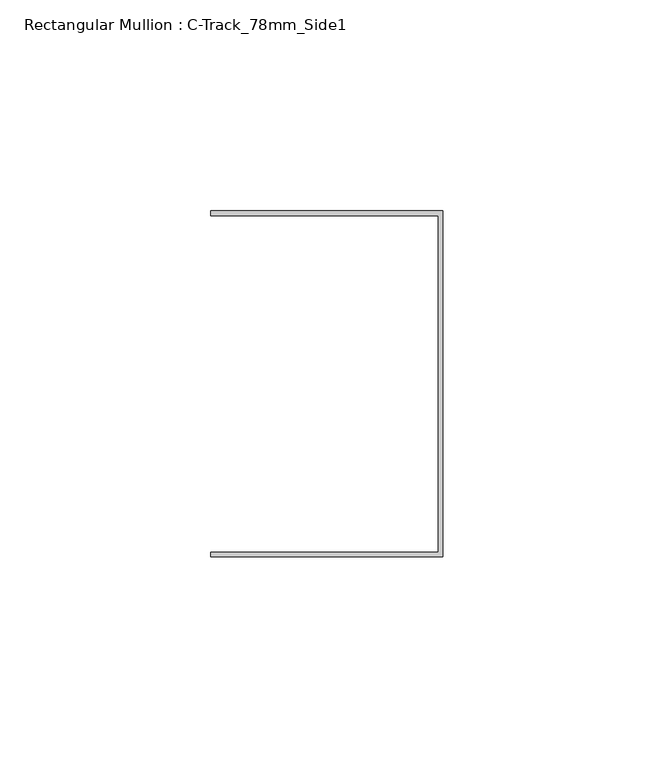
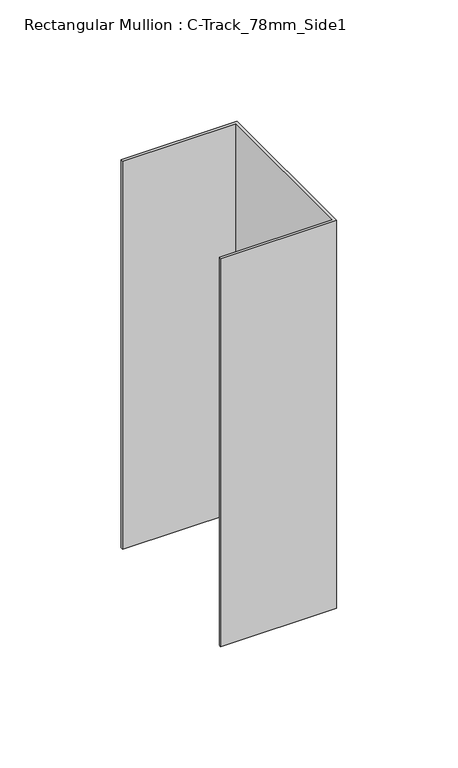
"""IFC4 building model written with IfcOpenShell, lengths in millimetres: member geometry, Rectangular Mullion : C-Track_78mm_Side1."""

from ifc_helpers import new_model, si_unit, frame, origin, place, context, project, spatial, polyline, outline, extrude, source, transform, mapped, element, save


def rectangular_mullion_c_track_78mm_side1_83976218(model_context):
    return source(origin(), model_context, "Body", "SweptSolid", [
        extrude(outline(polyline([(-1.15, 39.85), (-55.0, 39.85), (-55.0, 41.0), (0.0, 41.0), (0.0, -41.0), (-55.0, -41.0), (-55.0, -39.85), (-1.15, -39.85), (-1.15, 39.85)])), frame((0.0, 0.0, -195.0), z_axis=(0.0, 0.0, 1.0), x_axis=(1.0, 0.0, 0.0)), (0.0, 0.0, 1.0), 195.0),
    ])


if __name__ == "__main__":
    model = new_model("IFC4")
    model_context = context("Model", 3, world=origin())
    ifc_project = project(units=[si_unit("LENGTHUNIT", "METRE", prefix="MILLI")], contexts=[model_context])
    site = spatial("IfcSite", under=ifc_project)
    building = spatial("IfcBuilding", under=site)
    placement = place(None, origin())
    rectangular_mullion_c_track_78mm_side1_shape = rectangular_mullion_c_track_78mm_side1_83976218(model_context)
    element("IfcMember", 1, ObjectType="Rectangular Mullion : C-Track_78mm_Side1", at=placement, inside=building, context=model_context, shape_type="MappedRepresentation", body=[
        mapped(rectangular_mullion_c_track_78mm_side1_shape, transform((0.0, 0.0, 0.0), x_axis=(1.0, 0.0, 0.0), y_axis=(0.0, 1.0, 0.0), z_axis=(0.0, 0.0, 1.0))),
    ])
    save(model, "model.ifc")
